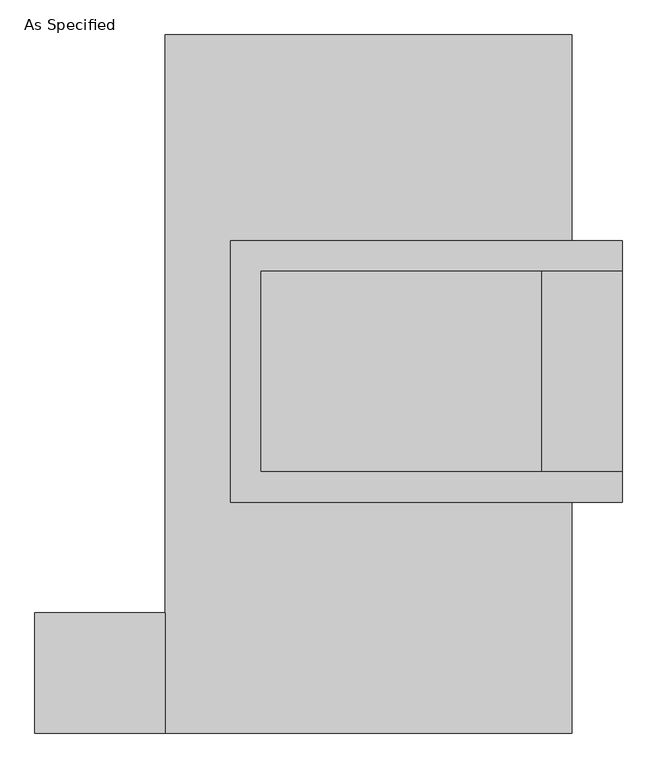
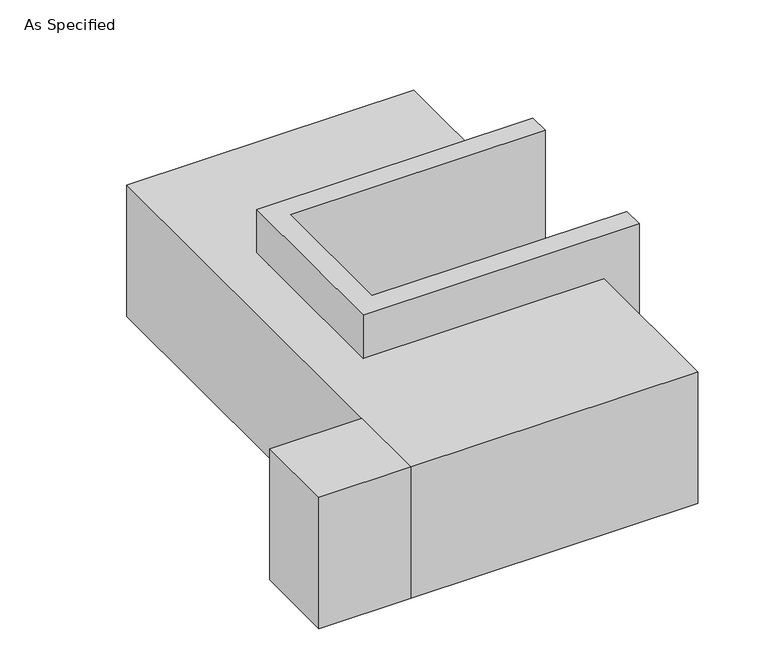
"""IFC4 building model written with IfcOpenShell, lengths in millimetres: proxy geometry, As Specified."""

from ifc_helpers import new_model, si_unit, frame, origin, place, context, project, spatial, polyline, outline, extrude, faceted_brep, source, transform, mapped, element, save


def as_specified_26d7ac54(model_context):
    return source(origin(), model_context, "Body", "SolidModel", [
        extrude(outline(polyline([(-514.35, -882.65), (-844.55, -882.65), (-844.55, -577.85), (-514.35, -577.85), (-514.35, -882.65)])), frame((0.0, 0.0, -523.9742188), z_axis=(0.0, 0.0, 1.0), x_axis=(1.0, 0.0, 0.0)), (0.0, 0.0, 1.0), 498.5742187),
        faceted_brep([(-349.25, 361.95, 139.7), (-349.25, 361.95, -393.7), (-349.25, 285.75, -393.7), (-349.25, 285.75, -25.4), (-349.25, -222.25, -25.4), (-349.25, -222.25, -393.7), (-349.25, -298.45, -393.7), (-349.25, -298.45, 139.7), (641.35, 285.75, 139.7), (641.35, 285.75, -317.5), (641.35, -222.25, -317.5), (641.35, -222.25, 139.7), (641.35, -298.45, 139.7), (641.35, -298.45, -393.7), (641.35, 361.95, -393.7), (641.35, 361.95, 139.7), (-273.05, -222.25, 139.7), (-273.05, 285.75, 139.7), (438.15, -222.25, -393.7), (438.15, 285.75, -393.7), (438.15, -222.25, -317.5), (-273.05, -222.25, -25.4), (438.15, 285.75, -317.5), (-273.05, 285.75, -25.4)], [[[0, 1, 2, 3, 4, 5, 6, 7]], [[8, 9, 10, 11, 12, 13, 14, 15]], [[0, 7, 12, 11, 16, 17, 8, 15]], [[1, 0, 15, 14]], [[14, 13, 6, 5, 18, 19, 2, 1]], [[7, 6, 13, 12]], [[11, 10, 20, 18, 5, 4, 21, 16]], [[10, 9, 22, 20]], [[9, 8, 17, 23, 3, 2, 19, 22]], [[18, 20, 22, 19]], [[23, 21, 4, 3]], [[17, 16, 21, 23]]]),
        faceted_brep([(-514.35, 882.65, -523.9742188), (514.35, 882.65, -523.9742188), (514.35, -882.65, -523.9742188), (-514.35, -882.65, -523.9742188), (514.35, 882.65, -25.4), (-514.35, 882.65, -25.4), (-514.35, -882.65, -25.4), (514.35, -882.65, -25.4), (514.35, -298.45, -25.4), (-349.25, -298.45, -25.4), (-349.25, 361.95, -25.4), (514.35, 361.95, -25.4), (514.35, 361.95, -393.7), (514.35, -298.45, -393.7), (-349.25, -298.45, -393.7), (-349.25, 361.95, -393.7)], [[[0, 1, 2, 3]], [[4, 5, 6, 7, 8, 9, 10, 11]], [[1, 0, 5, 4]], [[5, 0, 3, 6]], [[1, 4, 11, 12, 13, 8, 7, 2]], [[3, 2, 7, 6]], [[14, 15, 10, 9]], [[10, 15, 12, 11]], [[15, 14, 13, 12]], [[14, 9, 8, 13]]]),
    ])


if __name__ == "__main__":
    model = new_model("IFC4")
    model_context = context("Model", 3, world=origin())
    ifc_project = project(units=[si_unit("LENGTHUNIT", "METRE", prefix="MILLI")], contexts=[model_context])
    site = spatial("IfcSite", under=ifc_project)
    building = spatial("IfcBuilding", under=site)
    placement = place(None, origin())
    as_specified_shape = as_specified_26d7ac54(model_context)
    element("IfcBuildingElementProxy", 1, Name="As Specified", ObjectType="As Specified", at=placement, inside=building, context=model_context, shape_type="MappedRepresentation", body=[
        mapped(as_specified_shape, transform((0.0, 0.0, 0.0), x_axis=(1.0, 0.0, 0.0), y_axis=(0.0, 1.0, 0.0), z_axis=(0.0, 0.0, 1.0))),
    ])
    save(model, "model.ifc")
